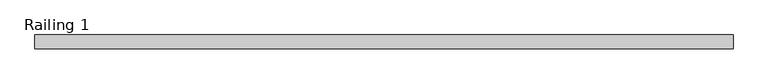
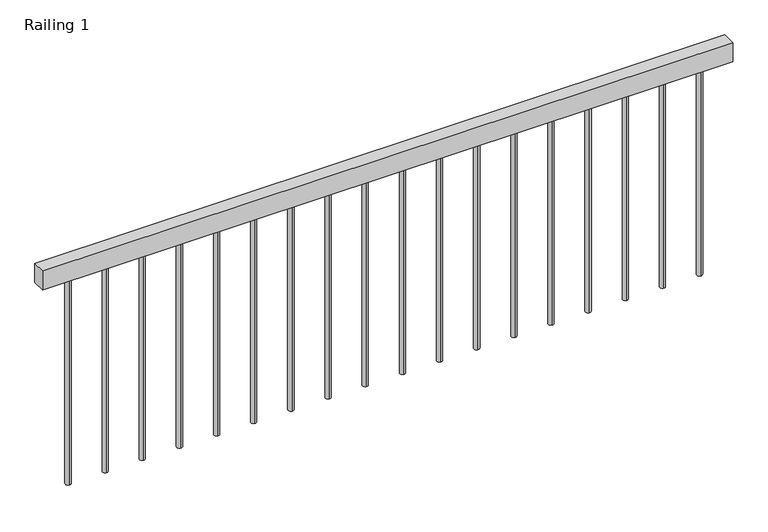
"""IFC4 building model written with IfcOpenShell, lengths in millimetres: railing geometry, Railing 1."""

import ifcopenshell
import ifcopenshell.guid

model = None  # the IFC model being written
_history = None  # IfcOwnerHistory: only IFC2X3 demands one
_inside = {}  # id of a spatial element -> (the spatial element, [elements in it])
_under = {}  # id of a project, library or spatial element -> (it, [spatial elements below it])
_declared = {}  # id of a project -> (the project, [libraries it declares])
_typed = {}  # id of a type object -> (the type object, [elements of that type])
_made_of = {}  # id of a material, layer set ... -> (it, [elements and type objects made of it])


def new_model(schema):
    """Start an empty IFC model of exactly this schema.

    Asked for "IFC4X3", IfcOpenShell would pick the latest addendum, in which some entities
    have other attributes; the version numbers below select the first issue.
    IFC2X3 requires an IfcOwnerHistory on every rooted entity: one is made here for all.
    """
    global model, _history
    if schema == "IFC4X3":
        model = ifcopenshell.file(schema_version=(4, 3, 0, 0))
    else:
        model = ifcopenshell.file(schema=schema)
    _inside.clear()
    _under.clear()
    _declared.clear()
    _typed.clear()
    _made_of.clear()
    _history = None
    if model.schema == "IFC2X3":
        org = make("IfcOrganization", Name="unknown")
        user = make(
            "IfcPersonAndOrganization",
            ThePerson=make("IfcPerson", FamilyName="unknown"),
            TheOrganization=org,
        )
        app = make(
            "IfcApplication",
            ApplicationDeveloper=org,
            Version="unknown",
            ApplicationFullName="unknown",
            ApplicationIdentifier="unknown",
        )
        _history = make(
            "IfcOwnerHistory",
            OwningUser=user,
            OwningApplication=app,
            ChangeAction="ADDED",
            CreationDate=0,
        )
    return model


def make(cls, **values):
    """One entity of the class cls with the attributes given. An attribute that is None is left unset."""
    return model.create_entity(
        cls, **{name: value for name, value in values.items() if value is not None}
    )


def rooted(cls, **values):
    """An entity with a GlobalId (a new one), such as an element, a storey or a relation."""
    return make(cls, GlobalId=ifcopenshell.guid.new(), OwnerHistory=_history, **values)


def si_unit(unit_type, name, prefix=None):
    """IfcSIUnit, for example si_unit("LENGTHUNIT", "METRE", prefix="MILLI")."""
    return make("IfcSIUnit", UnitType=unit_type, Prefix=prefix, Name=name)


def assignment(units):
    """IfcUnitAssignment: the units of a project."""
    return None if units is None else make("IfcUnitAssignment", Units=units)


def point(xyz):
    """IfcCartesianPoint."""
    return None if xyz is None else make("IfcCartesianPoint", Coordinates=xyz)


def direction(xyz):
    """IfcDirection."""
    return None if xyz is None else make("IfcDirection", DirectionRatios=xyz)


def frame(location, z_axis=None, x_axis=None):
    """IfcAxis2Placement3D, a coordinate frame: its origin and axes. An axis left out is left unset."""
    return make(
        "IfcAxis2Placement3D",
        Location=point(location),
        Axis=direction(z_axis),
        RefDirection=direction(x_axis),
    )


def frame_2d(location, x_axis=None):
    """IfcAxis2Placement2D, a coordinate frame in the plane: its origin and x axis."""
    return make(
        "IfcAxis2Placement2D", Location=point(location), RefDirection=direction(x_axis)
    )


def origin():
    """The frame at (0, 0, 0) with its axes left unset."""
    return frame((0.0, 0.0, 0.0))


def origin_with_axes():
    """The frame at (0, 0, 0) with the z axis (0, 0, 1) and the x axis (1, 0, 0) written out."""
    return frame((0.0, 0.0, 0.0), z_axis=(0.0, 0.0, 1.0), x_axis=(1.0, 0.0, 0.0))


def place(relative_to, where):
    """IfcLocalPlacement: puts the frame where relative to a parent placement (None: the world)."""
    return make(
        "IfcLocalPlacement", PlacementRelTo=relative_to, RelativePlacement=where
    )


def context(
    kind, dimensions, precision=None, world=None, true_north=None, identifier=None
):
    """IfcGeometricRepresentationContext, for example the 3D "Model" context."""
    return make(
        "IfcGeometricRepresentationContext",
        ContextIdentifier=identifier,
        ContextType=kind,
        CoordinateSpaceDimension=dimensions,
        Precision=precision,
        WorldCoordinateSystem=world,
        TrueNorth=true_north,
    )


def project(units=None, contexts=None):
    """IfcProject with its units and contexts."""
    return rooted(
        "IfcProject",
        Name="project",
        RepresentationContexts=contexts,
        UnitsInContext=assignment(units),
    )


def spatial(cls, under=None, at=None, **own):
    """A site, building, storey or space (cls), placed at a placement, below another one or the project."""
    s = rooted(cls, ObjectPlacement=at, **own)
    if under is not None:
        _under.setdefault(under.id(), (under, []))[1].append(s)
    return s


def polyline(points):
    """IfcPolyline through the points."""
    return make("IfcPolyline", Points=[point(p) for p in points])


def circle_curve(where, radius):
    """IfcCircle in the frame where."""
    return make("IfcCircle", Position=where, Radius=radius)


def trimmed(basis, trim1, trim2, sense, master):
    """IfcTrimmedCurve: the piece of a basis curve between two trims."""
    return make(
        "IfcTrimmedCurve",
        BasisCurve=basis,
        Trim1=trim1,
        Trim2=trim2,
        SenseAgreement=sense,
        MasterRepresentation=master,
    )


def segment(curve, same_sense, transition):
    """IfcCompositeCurveSegment."""
    return make(
        "IfcCompositeCurveSegment",
        Transition=transition,
        SameSense=same_sense,
        ParentCurve=curve,
    )


def composite_curve(segments, self_intersect=None):
    """IfcCompositeCurve: segments joined end to end."""
    return make("IfcCompositeCurve", Segments=segments, SelfIntersect=self_intersect)


def outline(outer, holes=None, kind="AREA"):
    """IfcArbitraryClosedProfileDef: a profile drawn as a closed curve; with holes, ...WithVoids."""
    if holes is None:
        return make("IfcArbitraryClosedProfileDef", ProfileType=kind, OuterCurve=outer)
    return make(
        "IfcArbitraryProfileDefWithVoids",
        ProfileType=kind,
        OuterCurve=outer,
        InnerCurves=holes,
    )


def extrude(swept, where, along, depth):
    """IfcExtrudedAreaSolid: the profile swept, set in the frame where, extruded along a direction by depth."""
    return make(
        "IfcExtrudedAreaSolid",
        SweptArea=swept,
        Position=where,
        ExtrudedDirection=direction(along),
        Depth=depth,
    )


def shape(context_of_items, identifier, shape_type, items):
    """IfcShapeRepresentation: the items that make up one representation, for example the "Body"."""
    return make(
        "IfcShapeRepresentation",
        ContextOfItems=context_of_items,
        RepresentationIdentifier=identifier,
        RepresentationType=shape_type,
        Items=items,
    )


def source(mapping_origin, context_of_items, identifier, shape_type, items):
    """IfcRepresentationMap: a shape defined once, which mapped items show again and again."""
    return make(
        "IfcRepresentationMap",
        MappingOrigin=mapping_origin,
        MappedRepresentation=shape(context_of_items, identifier, shape_type, items),
    )


def transform(
    local_origin,
    x_axis=None,
    y_axis=None,
    z_axis=None,
    scale=None,
    scale2=None,
    scale3=None,
    uniform=True,
):
    """IfcCartesianTransformationOperator3D, or its non-uniform kind. x_axis, y_axis, z_axis: its Axis1, 2, 3."""
    if uniform:
        return make(
            "IfcCartesianTransformationOperator3D",
            Axis1=direction(x_axis),
            Axis2=direction(y_axis),
            LocalOrigin=point(local_origin),
            Scale=scale,
            Axis3=direction(z_axis),
        )
    return make(
        "IfcCartesianTransformationOperator3DnonUniform",
        Axis1=direction(x_axis),
        Axis2=direction(y_axis),
        LocalOrigin=point(local_origin),
        Scale=scale,
        Axis3=direction(z_axis),
        Scale2=scale2,
        Scale3=scale3,
    )


def mapped(mapping_source, mapping_target):
    """IfcMappedItem: shows the shape of a source again, moved by a transform."""
    return make(
        "IfcMappedItem", MappingSource=mapping_source, MappingTarget=mapping_target
    )


def made_of(thing, what):
    """Note that an element or type object is made of a material, layer set ...; save() writes the relation."""
    if what is not None:
        _made_of.setdefault(what.id(), (what, []))[1].append(thing)
    return thing


def element(
    cls,
    number,
    at=None,
    inside=None,
    cuts=None,
    type_object=None,
    material=None,
    context=None,
    identifier="Body",
    shape_type=None,
    held_by="IfcProductDefinitionShape",
    body=None,
    shapes=None,
    **own,
):
    """One element of the class cls, such as IfcWall. Its Tag is "e" and its number.

    at: its placement. inside: the storey or other place that contains it. cuts: it is an
    opening in that element (IfcRelVoidsElement). A single representation is given by context,
    identifier, shape_type and body (its items); several are given by shapes. held_by: the class
    of the entity that holds the representations. save() writes the other relations.
    """
    e = rooted(cls, Tag="e%d" % number, ObjectPlacement=at, **own)
    if body is not None:
        shapes = [shape(context, identifier, shape_type, body)]
    if shapes is not None:
        e.Representation = make(held_by, Representations=shapes)
    if inside is not None:
        _inside.setdefault(inside.id(), (inside, []))[1].append(e)
    if cuts is not None:
        rooted(
            "IfcRelVoidsElement", RelatingBuildingElement=cuts, RelatedOpeningElement=e
        )
    if type_object is not None:
        _typed.setdefault(type_object.id(), (type_object, []))[1].append(e)
    return made_of(e, material)


def aggregate(whole, parts):
    """IfcRelAggregates: a whole, such as a stair, and the parts it consists of."""
    return rooted("IfcRelAggregates", RelatingObject=whole, RelatedObjects=parts)


def save(model, path):
    """Write the relations noted so far, then the file.

    IfcRelAggregates (storeys below a building ...), IfcRelContainedInSpatialStructure (elements
    in a storey), IfcRelDefinesByType, IfcRelAssociatesMaterial and IfcRelDeclares: one each for
    every whole, place, type object, material and project.
    """
    for whole, parts in _under.values():
        aggregate(whole, parts)
    for where, things in _inside.values():
        rooted(
            "IfcRelContainedInSpatialStructure",
            RelatedElements=things,
            RelatingStructure=where,
        )
    for kind, things in _typed.values():
        rooted("IfcRelDefinesByType", RelatedObjects=things, RelatingType=kind)
    for what, things in _made_of.values():
        rooted("IfcRelAssociatesMaterial", RelatedObjects=things, RelatingMaterial=what)
    for by, libraries in _declared.values():
        rooted("IfcRelDeclares", RelatingContext=by, RelatedDefinitions=libraries)
    model.write(path)


def railing_1_5ffaaefc(model_context):
    return source(origin(), model_context, "Body", "SweptSolid", [
        extrude(outline(polyline([(-744.8190995, 6702.7591595), (-744.8190995, 6753.5591595), (1855.1809005, 6753.5591595), (1855.1809005, 6702.7591595), (-744.8190995, 6702.7591595)])), frame((0.0, 0.0, 823.8), z_axis=(0.0, 0.0, 1.0), x_axis=(1.0, 0.0, 0.0)), (0.0, 0.0, 1.0), 76.2),
        extrude(outline(composite_curve([segment(trimmed(circle_curve(frame_2d((1745.1809005, 6728.1591595)), 10.0), [point((1745.1809005, 6738.1591595))], [point((1745.1809005, 6718.1591595))], False, "CARTESIAN"), True, "CONTINUOUS"), segment(trimmed(circle_curve(frame_2d((1745.1809005, 6728.1591595)), 10.0), [point((1745.1809005, 6718.1591595))], [point((1745.1809005, 6738.1591595))], False, "CARTESIAN"), True, "CONTINUOUS")], self_intersect=False)), origin_with_axes(), (0.0, 0.0, 1.0), 823.8),
        extrude(outline(composite_curve([segment(trimmed(circle_curve(frame_2d((1605.1809005, 6728.1591595)), 10.0), [point((1605.1809005, 6738.1591595))], [point((1605.1809005, 6718.1591595))], False, "CARTESIAN"), True, "CONTINUOUS"), segment(trimmed(circle_curve(frame_2d((1605.1809005, 6728.1591595)), 10.0), [point((1605.1809005, 6718.1591595))], [point((1605.1809005, 6738.1591595))], False, "CARTESIAN"), True, "CONTINUOUS")], self_intersect=False)), origin_with_axes(), (0.0, 0.0, 1.0), 823.8),
        extrude(outline(composite_curve([segment(trimmed(circle_curve(frame_2d((1465.1809005, 6728.1591595)), 10.0), [point((1465.1809005, 6738.1591595))], [point((1465.1809005, 6718.1591595))], False, "CARTESIAN"), True, "CONTINUOUS"), segment(trimmed(circle_curve(frame_2d((1465.1809005, 6728.1591595)), 10.0), [point((1465.1809005, 6718.1591595))], [point((1465.1809005, 6738.1591595))], False, "CARTESIAN"), True, "CONTINUOUS")], self_intersect=False)), origin_with_axes(), (0.0, 0.0, 1.0), 823.8),
        extrude(outline(composite_curve([segment(trimmed(circle_curve(frame_2d((1325.1809005, 6728.1591595)), 10.0), [point((1325.1809005, 6738.1591595))], [point((1325.1809005, 6718.1591595))], False, "CARTESIAN"), True, "CONTINUOUS"), segment(trimmed(circle_curve(frame_2d((1325.1809005, 6728.1591595)), 10.0), [point((1325.1809005, 6718.1591595))], [point((1325.1809005, 6738.1591595))], False, "CARTESIAN"), True, "CONTINUOUS")], self_intersect=False)), origin_with_axes(), (0.0, 0.0, 1.0), 823.8),
        extrude(outline(composite_curve([segment(trimmed(circle_curve(frame_2d((1185.1809005, 6728.1591595)), 10.0), [point((1185.1809005, 6738.1591595))], [point((1185.1809005, 6718.1591595))], False, "CARTESIAN"), True, "CONTINUOUS"), segment(trimmed(circle_curve(frame_2d((1185.1809005, 6728.1591595)), 10.0), [point((1185.1809005, 6718.1591595))], [point((1185.1809005, 6738.1591595))], False, "CARTESIAN"), True, "CONTINUOUS")], self_intersect=False)), origin_with_axes(), (0.0, 0.0, 1.0), 823.8),
        extrude(outline(composite_curve([segment(trimmed(circle_curve(frame_2d((1045.1809005, 6728.1591595)), 10.0), [point((1045.1809005, 6738.1591595))], [point((1045.1809005, 6718.1591595))], False, "CARTESIAN"), True, "CONTINUOUS"), segment(trimmed(circle_curve(frame_2d((1045.1809005, 6728.1591595)), 10.0), [point((1045.1809005, 6718.1591595))], [point((1045.1809005, 6738.1591595))], False, "CARTESIAN"), True, "CONTINUOUS")], self_intersect=False)), origin_with_axes(), (0.0, 0.0, 1.0), 823.8),
        extrude(outline(composite_curve([segment(trimmed(circle_curve(frame_2d((905.1809005, 6728.1591595)), 10.0), [point((905.1809005, 6738.1591595))], [point((905.1809005, 6718.1591595))], False, "CARTESIAN"), True, "CONTINUOUS"), segment(trimmed(circle_curve(frame_2d((905.1809005, 6728.1591595)), 10.0), [point((905.1809005, 6718.1591595))], [point((905.1809005, 6738.1591595))], False, "CARTESIAN"), True, "CONTINUOUS")], self_intersect=False)), origin_with_axes(), (0.0, 0.0, 1.0), 823.8),
        extrude(outline(composite_curve([segment(trimmed(circle_curve(frame_2d((765.1809005, 6728.1591595)), 10.0), [point((765.1809005, 6738.1591595))], [point((765.1809005, 6718.1591595))], False, "CARTESIAN"), True, "CONTINUOUS"), segment(trimmed(circle_curve(frame_2d((765.1809005, 6728.1591595)), 10.0), [point((765.1809005, 6718.1591595))], [point((765.1809005, 6738.1591595))], False, "CARTESIAN"), True, "CONTINUOUS")], self_intersect=False)), origin_with_axes(), (0.0, 0.0, 1.0), 823.8),
        extrude(outline(composite_curve([segment(trimmed(circle_curve(frame_2d((625.1809005, 6728.1591595)), 10.0), [point((625.1809005, 6738.1591595))], [point((625.1809005, 6718.1591595))], False, "CARTESIAN"), True, "CONTINUOUS"), segment(trimmed(circle_curve(frame_2d((625.1809005, 6728.1591595)), 10.0), [point((625.1809005, 6718.1591595))], [point((625.1809005, 6738.1591595))], False, "CARTESIAN"), True, "CONTINUOUS")], self_intersect=False)), origin_with_axes(), (0.0, 0.0, 1.0), 823.8),
        extrude(outline(composite_curve([segment(trimmed(circle_curve(frame_2d((485.1809005, 6728.1591595)), 10.0), [point((485.1809005, 6738.1591595))], [point((485.1809005, 6718.1591595))], False, "CARTESIAN"), True, "CONTINUOUS"), segment(trimmed(circle_curve(frame_2d((485.1809005, 6728.1591595)), 10.0), [point((485.1809005, 6718.1591595))], [point((485.1809005, 6738.1591595))], False, "CARTESIAN"), True, "CONTINUOUS")], self_intersect=False)), origin_with_axes(), (0.0, 0.0, 1.0), 823.8),
        extrude(outline(composite_curve([segment(trimmed(circle_curve(frame_2d((345.1809005, 6728.1591595)), 10.0), [point((345.1809005, 6738.1591595))], [point((345.1809005, 6718.1591595))], False, "CARTESIAN"), True, "CONTINUOUS"), segment(trimmed(circle_curve(frame_2d((345.1809005, 6728.1591595)), 10.0), [point((345.1809005, 6718.1591595))], [point((345.1809005, 6738.1591595))], False, "CARTESIAN"), True, "CONTINUOUS")], self_intersect=False)), origin_with_axes(), (0.0, 0.0, 1.0), 823.8),
        extrude(outline(composite_curve([segment(trimmed(circle_curve(frame_2d((205.1809005, 6728.1591595)), 10.0), [point((205.1809005, 6738.1591595))], [point((205.1809005, 6718.1591595))], False, "CARTESIAN"), True, "CONTINUOUS"), segment(trimmed(circle_curve(frame_2d((205.1809005, 6728.1591595)), 10.0), [point((205.1809005, 6718.1591595))], [point((205.1809005, 6738.1591595))], False, "CARTESIAN"), True, "CONTINUOUS")], self_intersect=False)), origin_with_axes(), (0.0, 0.0, 1.0), 823.8),
        extrude(outline(composite_curve([segment(trimmed(circle_curve(frame_2d((65.1809005, 6728.1591595)), 10.0), [point((65.1809005, 6738.1591595))], [point((65.1809005, 6718.1591595))], False, "CARTESIAN"), True, "CONTINUOUS"), segment(trimmed(circle_curve(frame_2d((65.1809005, 6728.1591595)), 10.0), [point((65.1809005, 6718.1591595))], [point((65.1809005, 6738.1591595))], False, "CARTESIAN"), True, "CONTINUOUS")], self_intersect=False)), origin_with_axes(), (0.0, 0.0, 1.0), 823.8),
        extrude(outline(composite_curve([segment(trimmed(circle_curve(frame_2d((-74.8190995, 6728.1591595)), 10.0), [point((-74.8190995, 6738.1591595))], [point((-74.8190995, 6718.1591595))], False, "CARTESIAN"), True, "CONTINUOUS"), segment(trimmed(circle_curve(frame_2d((-74.8190995, 6728.1591595)), 10.0), [point((-74.8190995, 6718.1591595))], [point((-74.8190995, 6738.1591595))], False, "CARTESIAN"), True, "CONTINUOUS")], self_intersect=False)), origin_with_axes(), (0.0, 0.0, 1.0), 823.8),
        extrude(outline(composite_curve([segment(trimmed(circle_curve(frame_2d((-214.8190995, 6728.1591595)), 10.0), [point((-214.8190995, 6738.1591595))], [point((-214.8190995, 6718.1591595))], False, "CARTESIAN"), True, "CONTINUOUS"), segment(trimmed(circle_curve(frame_2d((-214.8190995, 6728.1591595)), 10.0), [point((-214.8190995, 6718.1591595))], [point((-214.8190995, 6738.1591595))], False, "CARTESIAN"), True, "CONTINUOUS")], self_intersect=False)), origin_with_axes(), (0.0, 0.0, 1.0), 823.8),
        extrude(outline(composite_curve([segment(trimmed(circle_curve(frame_2d((-354.8190995, 6728.1591595)), 10.0), [point((-354.8190995, 6738.1591595))], [point((-354.8190995, 6718.1591595))], False, "CARTESIAN"), True, "CONTINUOUS"), segment(trimmed(circle_curve(frame_2d((-354.8190995, 6728.1591595)), 10.0), [point((-354.8190995, 6718.1591595))], [point((-354.8190995, 6738.1591595))], False, "CARTESIAN"), True, "CONTINUOUS")], self_intersect=False)), origin_with_axes(), (0.0, 0.0, 1.0), 823.8),
        extrude(outline(composite_curve([segment(trimmed(circle_curve(frame_2d((-494.8190995, 6728.1591595)), 10.0), [point((-494.8190995, 6738.1591595))], [point((-494.8190995, 6718.1591595))], False, "CARTESIAN"), True, "CONTINUOUS"), segment(trimmed(circle_curve(frame_2d((-494.8190995, 6728.1591595)), 10.0), [point((-494.8190995, 6718.1591595))], [point((-494.8190995, 6738.1591595))], False, "CARTESIAN"), True, "CONTINUOUS")], self_intersect=False)), origin_with_axes(), (0.0, 0.0, 1.0), 823.8),
        extrude(outline(composite_curve([segment(trimmed(circle_curve(frame_2d((-634.8190995, 6728.1591595)), 10.0), [point((-634.8190995, 6738.1591595))], [point((-634.8190995, 6718.1591595))], False, "CARTESIAN"), True, "CONTINUOUS"), segment(trimmed(circle_curve(frame_2d((-634.8190995, 6728.1591595)), 10.0), [point((-634.8190995, 6718.1591595))], [point((-634.8190995, 6738.1591595))], False, "CARTESIAN"), True, "CONTINUOUS")], self_intersect=False)), origin_with_axes(), (0.0, 0.0, 1.0), 823.8),
    ])


if __name__ == "__main__":
    model = new_model("IFC4")
    model_context = context("Model", 3, world=origin())
    ifc_project = project(units=[si_unit("LENGTHUNIT", "METRE", prefix="MILLI")], contexts=[model_context])
    site = spatial("IfcSite", under=ifc_project)
    building = spatial("IfcBuilding", under=site)
    placement = place(None, origin())
    railing_1_shape = railing_1_5ffaaefc(model_context)
    element("IfcRailing", 1, ObjectType="Railing 1", at=placement, inside=building, context=model_context, shape_type="MappedRepresentation", body=[
        mapped(railing_1_shape, transform((0.0, 0.0, 0.0), x_axis=(1.0, 0.0, 0.0), y_axis=(0.0, 1.0, 0.0), z_axis=(0.0, 0.0, 1.0))),
    ])
    save(model, "model.ifc")
